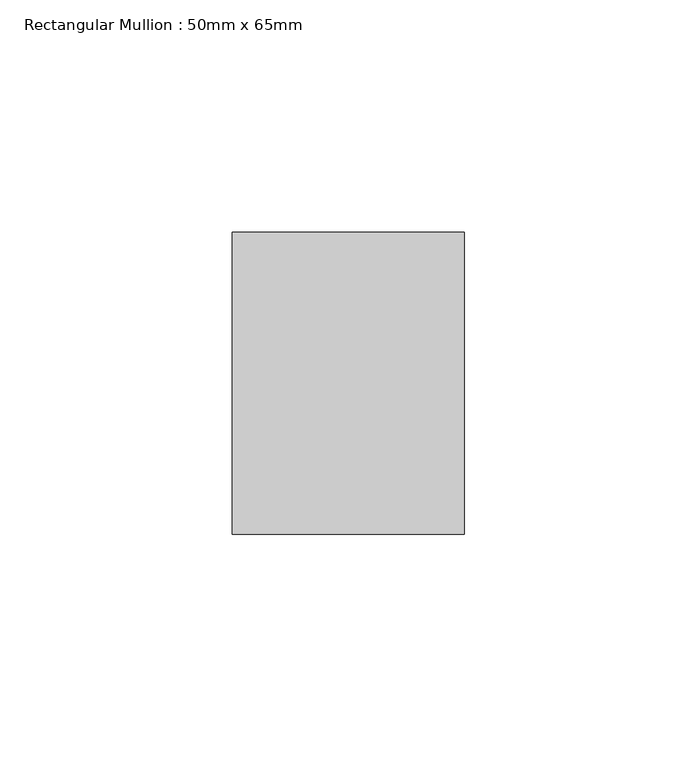
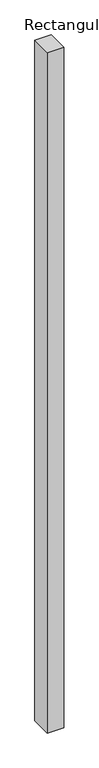
"""IFC4 building model written with IfcOpenShell, lengths in millimetres: member geometry, Rectangular Mullion : 50mm x 65mm."""

from ifc_helpers import new_model, si_unit, frame, origin, place, context, project, spatial, polyline, outline, extrude, source, transform, mapped, element, save


def rectangular_mullion_50mm_x_65mm_64e623ad(model_context):
    return source(origin(), model_context, "Body", "SweptSolid", [
        extrude(outline(polyline([(25.0, 32.5), (25.0, -32.5), (-25.0, -32.5), (-25.0, 32.5), (25.0, 32.5)])), frame((0.0, 0.0, -2186.9742529), z_axis=(0.0, 0.0, 1.0), x_axis=(1.0, 0.0, 0.0)), (0.0, 0.0, 1.0), 2186.9742529),
    ])


if __name__ == "__main__":
    model = new_model("IFC4")
    model_context = context("Model", 3, world=origin())
    ifc_project = project(units=[si_unit("LENGTHUNIT", "METRE", prefix="MILLI")], contexts=[model_context])
    site = spatial("IfcSite", under=ifc_project)
    building = spatial("IfcBuilding", under=site)
    placement = place(None, origin())
    rectangular_mullion_50mm_x_65mm_shape = rectangular_mullion_50mm_x_65mm_64e623ad(model_context)
    element("IfcMember", 1, ObjectType="Rectangular Mullion : 50mm x 65mm", at=placement, inside=building, context=model_context, shape_type="MappedRepresentation", body=[
        mapped(rectangular_mullion_50mm_x_65mm_shape, transform((0.0, 0.0, 0.0), x_axis=(1.0, 0.0, 0.0), y_axis=(0.0, 1.0, 0.0), z_axis=(0.0, 0.0, 1.0))),
    ])
    save(model, "model.ifc")
